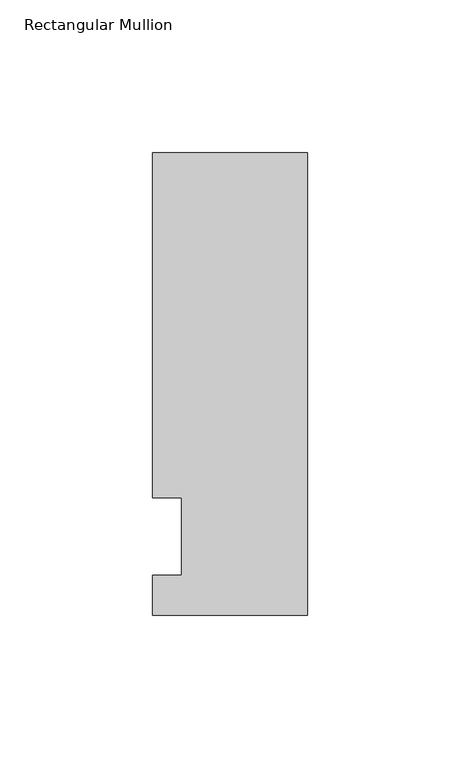
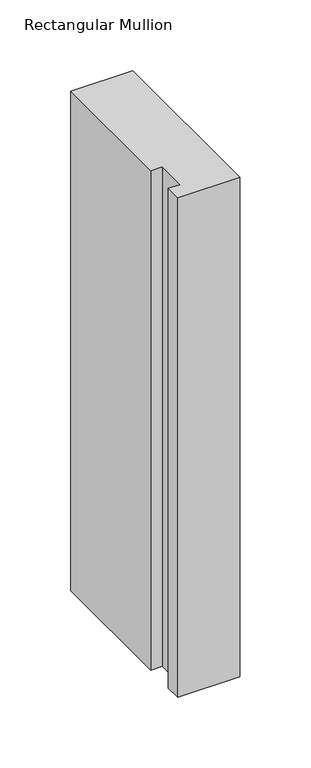
"""IFC4 building model written with IfcOpenShell, lengths in millimetres: member geometry, Rectangular Mullion."""

import ifcopenshell
import ifcopenshell.guid

model = None  # the IFC model being written
_history = None  # IfcOwnerHistory: only IFC2X3 demands one
_inside = {}  # id of a spatial element -> (the spatial element, [elements in it])
_under = {}  # id of a project, library or spatial element -> (it, [spatial elements below it])
_declared = {}  # id of a project -> (the project, [libraries it declares])
_typed = {}  # id of a type object -> (the type object, [elements of that type])
_made_of = {}  # id of a material, layer set ... -> (it, [elements and type objects made of it])


def new_model(schema):
    """Start an empty IFC model of exactly this schema.

    Asked for "IFC4X3", IfcOpenShell would pick the latest addendum, in which some entities
    have other attributes; the version numbers below select the first issue.
    IFC2X3 requires an IfcOwnerHistory on every rooted entity: one is made here for all.
    """
    global model, _history
    if schema == "IFC4X3":
        model = ifcopenshell.file(schema_version=(4, 3, 0, 0))
    else:
        model = ifcopenshell.file(schema=schema)
    _inside.clear()
    _under.clear()
    _declared.clear()
    _typed.clear()
    _made_of.clear()
    _history = None
    if model.schema == "IFC2X3":
        org = make("IfcOrganization", Name="unknown")
        user = make(
            "IfcPersonAndOrganization",
            ThePerson=make("IfcPerson", FamilyName="unknown"),
            TheOrganization=org,
        )
        app = make(
            "IfcApplication",
            ApplicationDeveloper=org,
            Version="unknown",
            ApplicationFullName="unknown",
            ApplicationIdentifier="unknown",
        )
        _history = make(
            "IfcOwnerHistory",
            OwningUser=user,
            OwningApplication=app,
            ChangeAction="ADDED",
            CreationDate=0,
        )
    return model


def make(cls, **values):
    """One entity of the class cls with the attributes given. An attribute that is None is left unset."""
    return model.create_entity(
        cls, **{name: value for name, value in values.items() if value is not None}
    )


def rooted(cls, **values):
    """An entity with a GlobalId (a new one), such as an element, a storey or a relation."""
    return make(cls, GlobalId=ifcopenshell.guid.new(), OwnerHistory=_history, **values)


def si_unit(unit_type, name, prefix=None):
    """IfcSIUnit, for example si_unit("LENGTHUNIT", "METRE", prefix="MILLI")."""
    return make("IfcSIUnit", UnitType=unit_type, Prefix=prefix, Name=name)


def assignment(units):
    """IfcUnitAssignment: the units of a project."""
    return None if units is None else make("IfcUnitAssignment", Units=units)


def point(xyz):
    """IfcCartesianPoint."""
    return None if xyz is None else make("IfcCartesianPoint", Coordinates=xyz)


def direction(xyz):
    """IfcDirection."""
    return None if xyz is None else make("IfcDirection", DirectionRatios=xyz)


def frame(location, z_axis=None, x_axis=None):
    """IfcAxis2Placement3D, a coordinate frame: its origin and axes. An axis left out is left unset."""
    return make(
        "IfcAxis2Placement3D",
        Location=point(location),
        Axis=direction(z_axis),
        RefDirection=direction(x_axis),
    )


def origin():
    """The frame at (0, 0, 0) with its axes left unset."""
    return frame((0.0, 0.0, 0.0))


def place(relative_to, where):
    """IfcLocalPlacement: puts the frame where relative to a parent placement (None: the world)."""
    return make(
        "IfcLocalPlacement", PlacementRelTo=relative_to, RelativePlacement=where
    )


def context(
    kind, dimensions, precision=None, world=None, true_north=None, identifier=None
):
    """IfcGeometricRepresentationContext, for example the 3D "Model" context."""
    return make(
        "IfcGeometricRepresentationContext",
        ContextIdentifier=identifier,
        ContextType=kind,
        CoordinateSpaceDimension=dimensions,
        Precision=precision,
        WorldCoordinateSystem=world,
        TrueNorth=true_north,
    )


def project(units=None, contexts=None):
    """IfcProject with its units and contexts."""
    return rooted(
        "IfcProject",
        Name="project",
        RepresentationContexts=contexts,
        UnitsInContext=assignment(units),
    )


def spatial(cls, under=None, at=None, **own):
    """A site, building, storey or space (cls), placed at a placement, below another one or the project."""
    s = rooted(cls, ObjectPlacement=at, **own)
    if under is not None:
        _under.setdefault(under.id(), (under, []))[1].append(s)
    return s


def polyline(points):
    """IfcPolyline through the points."""
    return make("IfcPolyline", Points=[point(p) for p in points])


def outline(outer, holes=None, kind="AREA"):
    """IfcArbitraryClosedProfileDef: a profile drawn as a closed curve; with holes, ...WithVoids."""
    if holes is None:
        return make("IfcArbitraryClosedProfileDef", ProfileType=kind, OuterCurve=outer)
    return make(
        "IfcArbitraryProfileDefWithVoids",
        ProfileType=kind,
        OuterCurve=outer,
        InnerCurves=holes,
    )


def extrude(swept, where, along, depth):
    """IfcExtrudedAreaSolid: the profile swept, set in the frame where, extruded along a direction by depth."""
    return make(
        "IfcExtrudedAreaSolid",
        SweptArea=swept,
        Position=where,
        ExtrudedDirection=direction(along),
        Depth=depth,
    )


def shape(context_of_items, identifier, shape_type, items):
    """IfcShapeRepresentation: the items that make up one representation, for example the "Body"."""
    return make(
        "IfcShapeRepresentation",
        ContextOfItems=context_of_items,
        RepresentationIdentifier=identifier,
        RepresentationType=shape_type,
        Items=items,
    )


def source(mapping_origin, context_of_items, identifier, shape_type, items):
    """IfcRepresentationMap: a shape defined once, which mapped items show again and again."""
    return make(
        "IfcRepresentationMap",
        MappingOrigin=mapping_origin,
        MappedRepresentation=shape(context_of_items, identifier, shape_type, items),
    )


def transform(
    local_origin,
    x_axis=None,
    y_axis=None,
    z_axis=None,
    scale=None,
    scale2=None,
    scale3=None,
    uniform=True,
):
    """IfcCartesianTransformationOperator3D, or its non-uniform kind. x_axis, y_axis, z_axis: its Axis1, 2, 3."""
    if uniform:
        return make(
            "IfcCartesianTransformationOperator3D",
            Axis1=direction(x_axis),
            Axis2=direction(y_axis),
            LocalOrigin=point(local_origin),
            Scale=scale,
            Axis3=direction(z_axis),
        )
    return make(
        "IfcCartesianTransformationOperator3DnonUniform",
        Axis1=direction(x_axis),
        Axis2=direction(y_axis),
        LocalOrigin=point(local_origin),
        Scale=scale,
        Axis3=direction(z_axis),
        Scale2=scale2,
        Scale3=scale3,
    )


def mapped(mapping_source, mapping_target):
    """IfcMappedItem: shows the shape of a source again, moved by a transform."""
    return make(
        "IfcMappedItem", MappingSource=mapping_source, MappingTarget=mapping_target
    )


def made_of(thing, what):
    """Note that an element or type object is made of a material, layer set ...; save() writes the relation."""
    if what is not None:
        _made_of.setdefault(what.id(), (what, []))[1].append(thing)
    return thing


def element(
    cls,
    number,
    at=None,
    inside=None,
    cuts=None,
    type_object=None,
    material=None,
    context=None,
    identifier="Body",
    shape_type=None,
    held_by="IfcProductDefinitionShape",
    body=None,
    shapes=None,
    **own,
):
    """One element of the class cls, such as IfcWall. Its Tag is "e" and its number.

    at: its placement. inside: the storey or other place that contains it. cuts: it is an
    opening in that element (IfcRelVoidsElement). A single representation is given by context,
    identifier, shape_type and body (its items); several are given by shapes. held_by: the class
    of the entity that holds the representations. save() writes the other relations.
    """
    e = rooted(cls, Tag="e%d" % number, ObjectPlacement=at, **own)
    if body is not None:
        shapes = [shape(context, identifier, shape_type, body)]
    if shapes is not None:
        e.Representation = make(held_by, Representations=shapes)
    if inside is not None:
        _inside.setdefault(inside.id(), (inside, []))[1].append(e)
    if cuts is not None:
        rooted(
            "IfcRelVoidsElement", RelatingBuildingElement=cuts, RelatedOpeningElement=e
        )
    if type_object is not None:
        _typed.setdefault(type_object.id(), (type_object, []))[1].append(e)
    return made_of(e, material)


def aggregate(whole, parts):
    """IfcRelAggregates: a whole, such as a stair, and the parts it consists of."""
    return rooted("IfcRelAggregates", RelatingObject=whole, RelatedObjects=parts)


def save(model, path):
    """Write the relations noted so far, then the file.

    IfcRelAggregates (storeys below a building ...), IfcRelContainedInSpatialStructure (elements
    in a storey), IfcRelDefinesByType, IfcRelAssociatesMaterial and IfcRelDeclares: one each for
    every whole, place, type object, material and project.
    """
    for whole, parts in _under.values():
        aggregate(whole, parts)
    for where, things in _inside.values():
        rooted(
            "IfcRelContainedInSpatialStructure",
            RelatedElements=things,
            RelatingStructure=where,
        )
    for kind, things in _typed.values():
        rooted("IfcRelDefinesByType", RelatedObjects=things, RelatingType=kind)
    for what, things in _made_of.values():
        rooted("IfcRelAssociatesMaterial", RelatedObjects=things, RelatingMaterial=what)
    for by, libraries in _declared.values():
        rooted("IfcRelDeclares", RelatingContext=by, RelatedDefinitions=libraries)
    model.write(path)


def rectangular_mullion_c5c016e6(model_context):
    return source(origin(), model_context, "Body", "SweptSolid", [
        extrude(outline(polyline([(-50.8, -25.7961253), (-50.8, -12.7), (-41.275, -12.7), (-41.275, 12.7), (-50.8, 12.7), (-50.8, 125.8036906), (0.0, 125.8036906), (0.0, -25.7961253), (-50.8, -25.7961253)])), frame((0.0, 0.0, -431.8), z_axis=(0.0, 0.0, 1.0), x_axis=(1.0, 0.0, 0.0)), (0.0, 0.0, 1.0), 431.8),
    ])


if __name__ == "__main__":
    model = new_model("IFC4")
    model_context = context("Model", 3, world=origin())
    ifc_project = project(units=[si_unit("LENGTHUNIT", "METRE", prefix="MILLI")], contexts=[model_context])
    site = spatial("IfcSite", under=ifc_project)
    building = spatial("IfcBuilding", under=site)
    placement = place(None, origin())
    rectangular_mullion_shape = rectangular_mullion_c5c016e6(model_context)
    element("IfcMember", 1, ObjectType="Rectangular Mullion", at=placement, inside=building, context=model_context, shape_type="MappedRepresentation", body=[
        mapped(rectangular_mullion_shape, transform((0.0, 0.0, 0.0), x_axis=(1.0, 0.0, 0.0), y_axis=(0.0, 1.0, 0.0), z_axis=(0.0, 0.0, 1.0))),
    ])
    save(model, "model.ifc")
